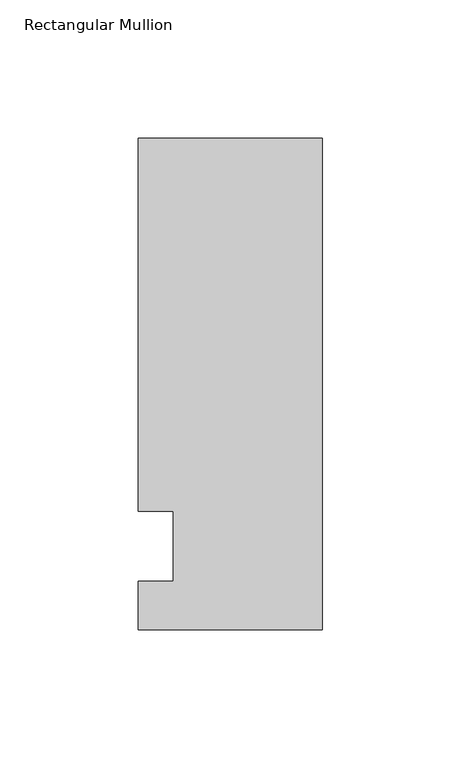
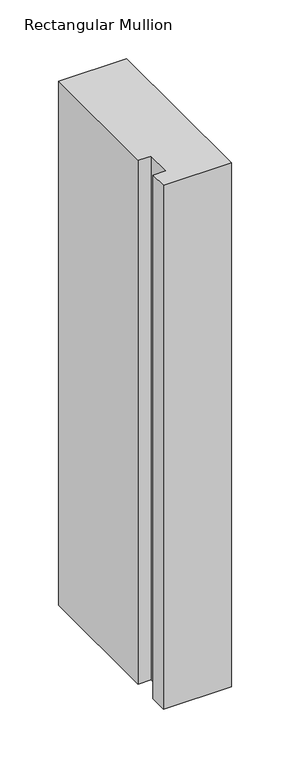
"""IFC4 building model written with IfcOpenShell, lengths in millimetres: member geometry, Rectangular Mullion."""

from ifc_helpers import new_model, si_unit, frame, origin, place, context, project, spatial, polyline, outline, extrude, source, transform, mapped, element, save


def rectangular_mullion_9d3cf636(model_context):
    return source(origin(), model_context, "Body", "SweptSolid", [
        extrude(outline(polyline([(-66.675, 147.6375), (0.0, 147.6375), (0.0, -30.1625), (-66.675, -30.1625), (-66.675, -12.7), (-53.9732296, -12.7), (-53.9732296, 12.7), (-66.675, 12.7), (-66.675, 147.6375)])), frame((0.0, 0.0, -542.925), z_axis=(0.0, 0.0, 1.0), x_axis=(1.0, 0.0, 0.0)), (0.0, 0.0, 1.0), 542.925),
    ])


if __name__ == "__main__":
    model = new_model("IFC4")
    model_context = context("Model", 3, world=origin())
    ifc_project = project(units=[si_unit("LENGTHUNIT", "METRE", prefix="MILLI")], contexts=[model_context])
    site = spatial("IfcSite", under=ifc_project)
    building = spatial("IfcBuilding", under=site)
    placement = place(None, origin())
    rectangular_mullion_shape = rectangular_mullion_9d3cf636(model_context)
    element("IfcMember", 1, ObjectType="Rectangular Mullion", at=placement, inside=building, context=model_context, shape_type="MappedRepresentation", body=[
        mapped(rectangular_mullion_shape, transform((0.0, 0.0, 0.0), x_axis=(1.0, 0.0, 0.0), y_axis=(0.0, 1.0, 0.0), z_axis=(0.0, 0.0, 1.0))),
    ])
    save(model, "model.ifc")
